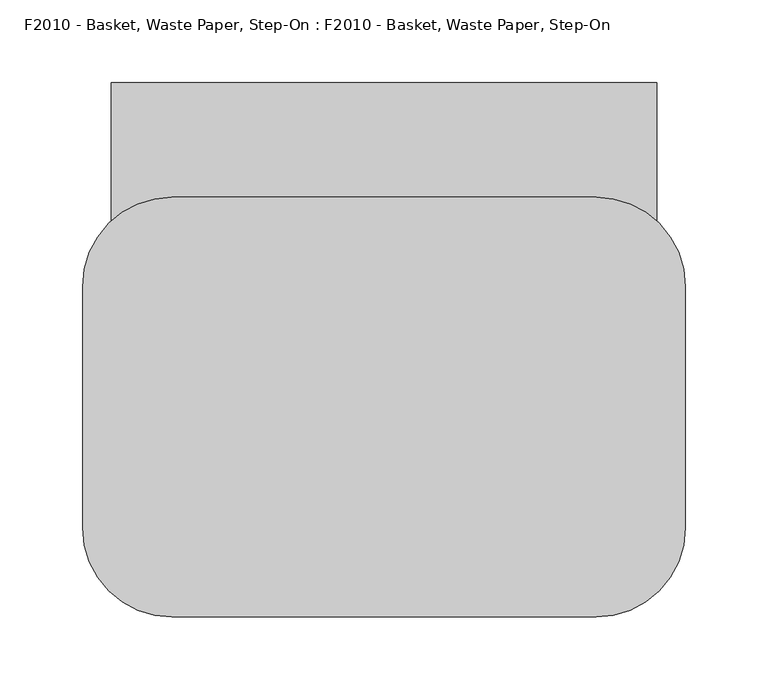
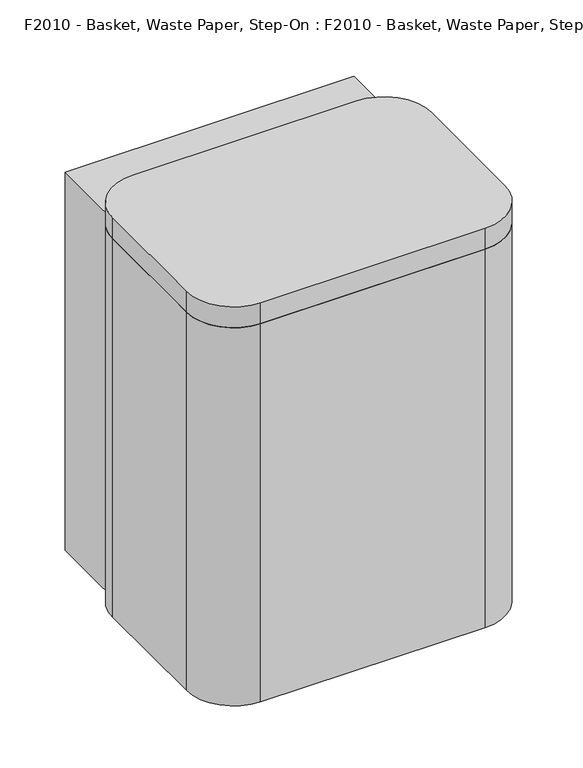
"""IFC4 building model written with IfcOpenShell, lengths in millimetres: proxy geometry, F2010 - Basket, Waste Paper, Step-On : F2010 - Basket, Waste Paper, Step-On."""

from ifc_helpers import new_model, si_unit, point, frame, frame_2d, origin, origin_with_axes, place, context, project, spatial, polyline, circle_curve, trimmed, segment, composite_curve, outline, extrude, source, transform, mapped, element, save
from ifc_brep_helpers import plane_surface, cylinder_surface, revolved_surface, advanced_brep


def f2010_basket_waste_paper_step_on_f2010_basket_waste_paper_7402589c(model_context):
    return source(origin(), model_context, "Body", "SolidModel", [
        advanced_brep(
        [(128.266525, -170.9615385, 457.2), (182.241525, -116.9865385, 457.2), (182.241525, 29.0634615, 457.2), (128.266525, 83.0384615, 457.2), (-128.266525, 83.0384615, 457.2), (-182.241525, 29.0634615, 457.2), (-182.241525, -116.9865385, 457.2), (-128.266525, -170.9615385, 457.2), (-114.3, -164.6115385, 457.2), (-165.1, -113.8115385, 457.2), (-165.1, 25.8884615, 457.2), (-114.3, 76.6884615, 457.2), (114.3, 76.6884615, 457.2), (165.1, 25.8884615, 457.2), (165.1, -113.8115385, 457.2), (114.3, -164.6115385, 457.2), (128.266525, -170.9615385, 0.0), (-128.266525, -170.9615385, 0.0), (-182.241525, -116.9865385, 0.0), (-182.241525, 29.0634615, 0.0), (-128.266525, 83.0384615, 0.0), (128.266525, 83.0384615, 0.0), (182.241525, 29.0634615, 0.0), (182.241525, -116.9865385, 0.0), (114.3, -164.6115385, 12.7), (165.1, -113.8115385, 12.7), (165.1, 25.8884615, 12.7), (114.3, 76.6884615, 12.7), (-114.3, 76.6884615, 12.7), (-165.1, 25.8884615, 12.7), (-165.1, -113.8115385, 12.7), (-114.3, -164.6115385, 12.7)],
        [
            (0, 1, circle_curve(frame((128.266525, -116.9865385, 457.2), z_axis=(0.0, 0.0, 1.0), x_axis=(1.0, 0.0, 0.0)), 53.975)),
            (1, 2),
            (2, 3, circle_curve(frame((128.266525, 29.0634615, 457.2), z_axis=(0.0, 0.0, 1.0), x_axis=(1.0, 0.0, 0.0)), 53.975)),
            (3, 4),
            (4, 5, circle_curve(frame((-128.266525, 29.0634615, 457.2), z_axis=(0.0, 0.0, 1.0), x_axis=(1.0, 0.0, 0.0)), 53.975)),
            (5, 6),
            (6, 7, circle_curve(frame((-128.266525, -116.9865385, 457.2), z_axis=(0.0, 0.0, 1.0), x_axis=(1.0, 0.0, 0.0)), 53.975)),
            (7, 0),
            (8, 9, circle_curve(frame((-114.3, -113.8115385, 457.2), z_axis=(0.0, 0.0, -1.0), x_axis=(1.0, 0.0, 0.0)), 50.8)),
            (9, 10),
            (10, 11, circle_curve(frame((-114.3, 25.8884615, 457.2), z_axis=(0.0, 0.0, -1.0), x_axis=(1.0, 0.0, 0.0)), 50.8)),
            (11, 12),
            (12, 13, circle_curve(frame((114.3, 25.8884615, 457.2), z_axis=(0.0, 0.0, -1.0), x_axis=(1.0, 0.0, 0.0)), 50.8)),
            (13, 14),
            (14, 15, circle_curve(frame((114.3, -113.8115385, 457.2), z_axis=(0.0, 0.0, -1.0), x_axis=(1.0, 0.0, 0.0)), 50.8)),
            (15, 8),
            (16, 17),
            (17, 18, circle_curve(frame((-128.266525, -116.9865385, 0.0), z_axis=(0.0, 0.0, -1.0), x_axis=(1.0, 0.0, 0.0)), 53.975)),
            (18, 19),
            (19, 20, circle_curve(frame((-128.266525, 29.0634615, 0.0), z_axis=(0.0, 0.0, -1.0), x_axis=(1.0, 0.0, 0.0)), 53.975)),
            (20, 21),
            (21, 22, circle_curve(frame((128.266525, 29.0634615, 0.0), z_axis=(0.0, 0.0, -1.0), x_axis=(1.0, 0.0, 0.0)), 53.975)),
            (22, 23),
            (23, 16, circle_curve(frame((128.266525, -116.9865385, 0.0), z_axis=(0.0, 0.0, -1.0), x_axis=(1.0, 0.0, 0.0)), 53.975)),
            (7, 17),
            (16, 0),
            (6, 18),
            (5, 19),
            (4, 20),
            (3, 21),
            (2, 22),
            (1, 23),
            (24, 25, circle_curve(frame((114.3, -113.8115385, 12.7), z_axis=(0.0, 0.0, 1.0), x_axis=(1.0, 0.0, 0.0)), 50.8)),
            (25, 26),
            (26, 27, circle_curve(frame((114.3, 25.8884615, 12.7), z_axis=(0.0, 0.0, 1.0), x_axis=(1.0, 0.0, 0.0)), 50.8)),
            (27, 28),
            (28, 29, circle_curve(frame((-114.3, 25.8884615, 12.7), z_axis=(0.0, 0.0, 1.0), x_axis=(1.0, 0.0, 0.0)), 50.8)),
            (29, 30),
            (30, 31, circle_curve(frame((-114.3, -113.8115385, 12.7), z_axis=(0.0, 0.0, 1.0), x_axis=(1.0, 0.0, 0.0)), 50.8)),
            (31, 24),
            (31, 8),
            (15, 24),
            (30, 9),
            (29, 10),
            (28, 11),
            (27, 12),
            (26, 13),
            (25, 14),
        ],
        [
            plane_surface(frame((-182.241525, -170.9615385, 457.2), z_axis=(0.0, 0.0, 1.0), x_axis=(-1.0, 0.0, 0.0))),
            plane_surface(frame((-182.241525, -170.9615385, 0.0), z_axis=(0.0, 0.0, -1.0), x_axis=(1.0, 0.0, 0.0))),
            plane_surface(frame((128.266525, -170.9615385, 457.2), z_axis=(0.0, -1.0, 0.0), x_axis=(0.0, 0.0, -1.0))),
            cylinder_surface(frame((-128.266525, -116.9865385, 0.0), z_axis=(0.0, 0.0, 1.0), x_axis=(1.0, 0.0, 0.0)), 53.975),
            plane_surface(frame((-182.241525, -116.9865385, 457.2), z_axis=(-1.0, 0.0, 0.0), x_axis=(0.0, 0.0, -1.0))),
            cylinder_surface(frame((-128.266525, 29.0634615, 0.0), z_axis=(0.0, 0.0, 1.0), x_axis=(1.0, 0.0, 0.0)), 53.975),
            plane_surface(frame((-128.266525, 83.0384615, 457.2), z_axis=(0.0, 1.0, 0.0), x_axis=(0.0, 0.0, -1.0))),
            cylinder_surface(frame((128.266525, 29.0634615, 0.0), z_axis=(0.0, 0.0, 1.0), x_axis=(1.0, 0.0, 0.0)), 53.975),
            plane_surface(frame((182.241525, 29.0634615, 457.2), z_axis=(1.0, 0.0, 0.0), x_axis=(0.0, 0.0, -1.0))),
            cylinder_surface(frame((128.266525, -116.9865385, 0.0), z_axis=(0.0, 0.0, 1.0), x_axis=(1.0, 0.0, 0.0)), 53.975),
            plane_surface(frame((-125.091525, -164.6115385, 12.7), z_axis=(0.0, 0.0, 1.0), x_axis=(1.0, 0.0, 0.0))),
            plane_surface(frame((114.3, -164.6115385, 457.2), z_axis=(0.0, 1.0, 0.0), x_axis=(0.0, 0.0, -1.0))),
            revolved_surface(polyline([(-63.5, -113.8115385, 457.2), (-63.5, -113.8115385, 12.7)]), (-114.3, -113.8115385, 12.7), (0.0, 0.0, 1.0)),
            plane_surface(frame((-165.1, -113.8115385, 457.2), z_axis=(1.0, 0.0, 0.0), x_axis=(0.0, 0.0, -1.0))),
            revolved_surface(polyline([(-63.5, 25.8884615, 457.2), (-63.5, 25.8884615, 12.7)]), (-114.3, 25.8884615, 12.7), (0.0, 0.0, 1.0)),
            plane_surface(frame((-114.3, 76.6884615, 457.2), z_axis=(0.0, -1.0, 0.0), x_axis=(0.0, 0.0, -1.0))),
            revolved_surface(polyline([(165.1, 25.8884615, 457.2), (165.1, 25.8884615, 12.7)]), (114.3, 25.8884615, 12.7), (0.0, 0.0, 1.0)),
            plane_surface(frame((165.1, 25.8884615, 457.2), z_axis=(-1.0, 0.0, 0.0), x_axis=(0.0, 0.0, -1.0))),
            revolved_surface(polyline([(165.1, -113.8115385, 457.2), (165.1, -113.8115385, 12.7)]), (114.3, -113.8115385, 12.7), (0.0, 0.0, 1.0)),
        ],
        [
            (0, [[1, 2, 3, 4, 5, 6, 7, 8], [9, 10, 11, 12, 13, 14, 15, 16]]),
            (1, [[17, 18, 19, 20, 21, 22, 23, 24]]),
            (2, [[25, -17, 26, -8]]),
            (3, [[27, -18, -25, -7]]),
            (4, [[28, -19, -27, -6]]),
            (5, [[29, -20, -28, -5]]),
            (6, [[30, -21, -29, -4]]),
            (7, [[31, -22, -30, -3]]),
            (8, [[32, -23, -31, -2]]),
            (9, [[-26, -24, -32, -1]]),
            (10, [[33, 34, 35, 36, 37, 38, 39, 40]]),
            (11, [[41, -16, 42, -40]]),
            (12, [[43, -9, -41, -39]]),
            (13, [[44, -10, -43, -38]]),
            (14, [[45, -11, -44, -37]]),
            (15, [[46, -12, -45, -36]]),
            (16, [[47, -13, -46, -35]]),
            (17, [[48, -14, -47, -34]]),
            (18, [[-42, -15, -48, -33]]),
        ],
    ),
        extrude(outline(polyline([(50.8, 83.0384615), (50.8, 6.8384615), (-50.8, 6.8384615), (-50.8, 83.0384615), (50.8, 83.0384615)])), origin_with_axes(), (0.0, 0.0, 1.0), 105.5317808),
        extrude(outline(polyline([(38.1, 57.6384615), (-38.1, 57.6384615), (-38.1, 133.8384615), (38.1, 133.8384615), (38.1, 57.6384615)])), origin_with_axes(), (0.0, 0.0, 1.0), 50.8),
        extrude(outline(composite_curve([segment(polyline([(128.266525, -170.9615385), (-128.266525, -170.9615385)]), True, "CONTINUOUS"), segment(trimmed(circle_curve(frame_2d((-128.266525, -116.9865385)), 53.975), [point((-128.266525, -170.9615385))], [point((-182.241525, -116.9865385))], False, "CARTESIAN"), True, "CONTINUOUS"), segment(polyline([(-182.241525, -116.9865385), (-182.241525, 29.0634615)]), True, "CONTINUOUS"), segment(trimmed(circle_curve(frame_2d((-128.266525, 29.0634615)), 53.975), [point((-182.241525, 29.0634615))], [point((-128.266525, 83.0384615))], False, "CARTESIAN"), True, "CONTINUOUS"), segment(polyline([(-128.266525, 83.0384615), (128.266525, 83.0384615)]), True, "CONTINUOUS"), segment(trimmed(circle_curve(frame_2d((128.266525, 29.0634615)), 53.975), [point((128.266525, 83.0384615))], [point((182.241525, 29.0634615))], False, "CARTESIAN"), True, "CONTINUOUS"), segment(polyline([(182.241525, 29.0634615), (182.241525, -116.9865385)]), True, "CONTINUOUS"), segment(trimmed(circle_curve(frame_2d((128.266525, -116.9865385)), 53.975), [point((182.241525, -116.9865385))], [point((128.266525, -170.9615385))], False, "CARTESIAN"), True, "CONTINUOUS")], self_intersect=False)), frame((0.0, 0.0, 457.2), z_axis=(0.0, 0.0, 1.0), x_axis=(1.0, 0.0, 0.0)), (0.0, 0.0, 1.0), 25.4),
        extrude(outline(polyline([(-165.1, -152.4), (-165.1, 0.0), (-165.1, 152.4), (165.1, 152.4), (165.1, -152.4), (-165.1, -152.4)])), origin_with_axes(), (0.0, 0.0, 1.0), 457.2),
    ])


if __name__ == "__main__":
    model = new_model("IFC4")
    model_context = context("Model", 3, world=origin())
    ifc_project = project(units=[si_unit("LENGTHUNIT", "METRE", prefix="MILLI")], contexts=[model_context])
    site = spatial("IfcSite", under=ifc_project)
    building = spatial("IfcBuilding", under=site)
    placement = place(None, origin())
    f2010_basket_waste_paper_step_on_f2010_basket_waste_paper_shape = f2010_basket_waste_paper_step_on_f2010_basket_waste_paper_7402589c(model_context)
    element("IfcBuildingElementProxy", 1, Name="F2010 - Basket, Waste Paper, Step-On : F2010 - Basket, Waste Paper, Step-On", ObjectType="F2010 - Basket, Waste Paper, Step-On : F2010 - Basket, Waste Paper, Step-On", at=placement, inside=building, context=model_context, shape_type="MappedRepresentation", body=[
        mapped(f2010_basket_waste_paper_step_on_f2010_basket_waste_paper_shape, transform((0.0, 0.0, 0.0), x_axis=(1.0, 0.0, 0.0), y_axis=(0.0, 1.0, 0.0), z_axis=(0.0, 0.0, 1.0))),
    ])
    save(model, "model.ifc")
